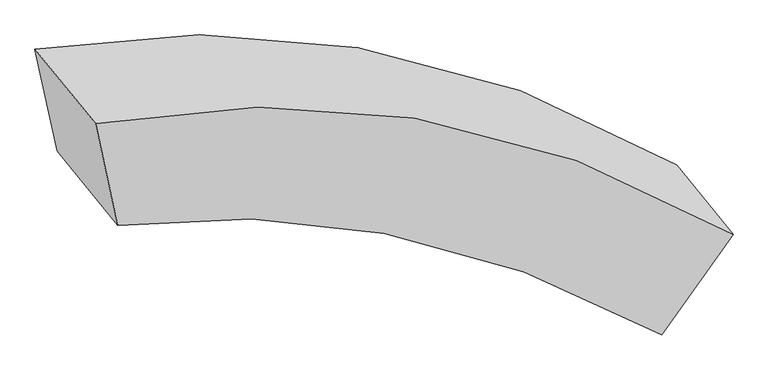
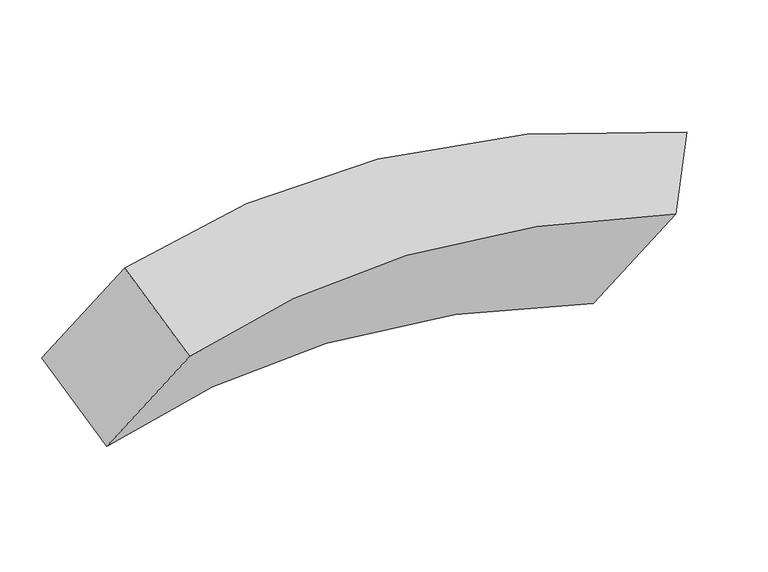
"""IFC4 building model written with IfcOpenShell, lengths in millimetres: proxy geometry."""

from ifc_helpers import new_model, si_unit, frame, origin, place, context, project, spatial, source, transform, mapped, element, save
from ifc_brep_helpers import plane_surface, spline_curve, spline_surface, advanced_brep


def generic_models_12dbb294(model_context):
    return source(origin(), model_context, "Body", "AdvancedBrep", [
        advanced_brep(
        [(10984.8394432, -3590.2381919, 1349.1633754), (11302.7280536, -3980.3352403, 2095.3343506), (8442.0212008, -3404.695398, 1757.5317843), (8122.8080545, -3012.9729453, 1008.2517634), (11381.8156045, -3086.8323102, 1515.5903103), (8005.9619979, -2476.9093171, 1338.2845277), (11678.5116409, -3450.9228886, 2212.0165538), (8325.1751443, -2868.6317698, 2087.5645487)],
        [
            (0, 1),
            (1, 2, spline_curve(3, [(11302.7280536, -3980.3352403, 2095.3343506), (10822.373046213, -3717.543120512, 2086.558128024), (10335.714491645, -3539.297594219, 2052.271529194), (9381.363929878, -3357.901034852, 1936.507504627), (8914.453533551, -3344.266613667, 1858.193248053), (8442.0212008, -3404.695398, 1757.5317843)], [4, 2, 4], [0.0, 0.5165419517671449, 1.0])),
            (2, 3),
            (3, 0, spline_curve(3, [(8122.8080545, -3012.9729453, 1008.2517634), (8600.274559359, -2960.662112313, 1121.04696307), (9069.888512047, -2978.616431994, 1205.871030692), (10025.010476281, -3161.092393928, 1323.467450725), (10509.406986465, -3335.559823092, 1352.280587085), (10984.8394432, -3590.2381919, 1349.1633754)], [4, 2, 4], [0.0, 0.4834580482328551, 1.0])),
            (4, 0),
            (3, 5),
            (5, 4, spline_curve(3, [(8005.9619979, -2476.9093171, 1338.2845277), (8592.315806398, -2378.810479676, 1437.802220603), (9158.206797157, -2375.657757753, 1503.021277032), (10286.387773018, -2565.526130992, 1566.978056697), (10845.781317913, -2771.986517459, 1560.860927841), (11381.8156045, -3086.8323102, 1515.5903103)], [4, 2, 4], [0.0, 5.148403839396339, 10.649122210737584])),
            (6, 4),
            (5, 7),
            (7, 6, spline_curve(3, [(8325.1751443, -2868.6317698, 2087.5645487), (8903.079545976, -2761.850927809, 2167.524900926), (9462.851742682, -2752.060771245, 2218.523903026), (10583.19712528, -2932.429117938, 2264.10728271), (11141.203760647, -3136.316314126, 2254.592282415), (11678.5116409, -3450.9228886, 2212.0165538)], [4, 2, 4], [0.0, 5.542858273201855, 11.46502430451249])),
            (1, 6),
            (7, 2),
        ],
        [
            spline_surface(3, 3, [[(10984.8394432, -3590.2381919, 1349.1633754), (10509.40698647, -3335.559823099, 1352.280587085), (10025.010476281, -3161.092393926, 1323.467450733), (9069.888512047, -2978.616431996, 1205.871030684), (8600.274559359, -2960.662112306, 1121.046963071), (8122.8080545, -3012.9729453, 1008.2517634)], [(11090.802313343, -3720.270541347, 1597.887033801), (10613.729006392, -3462.887588886, 1597.039767402), (10128.578481381, -3287.160793999, 1566.402143531), (9173.713651304, -3105.044632921, 1449.416521977), (8705.00088409, -3088.53027943, 1366.762391408), (8229.212436601, -3143.547096203, 1258.011770378)], [(11196.765183457, -3850.302890853, 1846.610692199), (10718.051026285, -3590.215354731, 1841.798947715), (10232.146486543, -3413.22919415, 1809.336836394), (9277.538790623, -3231.472833924, 1692.962013335), (8809.727208816, -3216.398446544, 1612.477819713), (8335.616818699, -3274.121247097, 1507.771777322)], [(11302.7280536, -3980.3352403, 2095.3343506), (10822.373046207, -3717.543120517, 2086.558128032), (10335.714491644, -3539.297594223, 2052.271529192), (9381.36392988, -3357.901034848, 1936.507504629), (8914.453533547, -3344.266613667, 1858.193248051), (8442.0212008, -3404.695398, 1757.5317843)]], [4, 4], [4, 2, 4], [0.0, 1.0], [0.0, 0.5165419517671449, 1.0]),
            spline_surface(3, 3, [[(11381.8156045, -3086.8323102, 1515.5903103), (10845.781317937, -2771.986517491, 1560.860927882), (10286.387773055, -2565.526131067, 1566.978056721), (9158.206797122, -2375.657757682, 1503.02127701), (8592.315806458, -2378.810479746, 1437.802220599), (8005.9619979, -2476.9093171, 1338.2845277)], [(11249.490217387, -3254.634270783, 1460.114665345), (10733.656540768, -2959.844286044, 1491.334147628), (10199.26200747, -2764.048218711, 1485.807854733), (9128.767368771, -2576.643982478, 1403.971194908), (8594.968724061, -2572.76102395, 1332.217134732), (8044.910683402, -2655.597193184, 1228.273606242)], [(11117.164830313, -3422.436231317, 1404.639020355), (10621.531763639, -3147.702054547, 1421.807367338), (10112.136241865, -2962.570306282, 1404.637652722), (9099.327940399, -2777.6302072, 1304.921112785), (8597.621641756, -2766.711568102, 1226.632048938), (8083.859368998, -2834.285069216, 1118.262684858)], [(10984.8394432, -3590.2381919, 1349.1633754), (10509.40698647, -3335.559823099, 1352.280587085), (10025.010476281, -3161.092393926, 1323.467450733), (9069.888512047, -2978.616431996, 1205.871030684), (8600.274559359, -2960.662112306, 1121.046963071), (8122.8080545, -3012.9729453, 1008.2517634)]], [4, 4], [4, 2, 4], [0.0, 2.2334294387464464], [0.0, 5.500718371341245, 10.649122210737584]),
            spline_surface(3, 3, [[(11678.5116409, -3450.9228886, 2212.0165538), (11141.20376058, -3136.316314152, 2254.592282372), (10583.197125223, -2932.429118024, 2264.10728271), (9462.851742736, -2752.060771165, 2218.523903026), (8903.079545943, -2761.850927727, 2167.524901011), (8325.1751443, -2868.6317698, 2087.5645487)], [(11579.6129621, -3329.559362449, 1979.874472626), (11042.729613033, -3014.873048581, 2023.348497534), (10484.260674513, -2810.128122369, 2031.730874055), (9361.303427545, -2626.593100001, 1980.023027696), (8799.491632814, -2634.170778397, 1924.284007563), (8218.770762199, -2738.057618897, 1837.804541722)], [(11480.7142833, -3208.195836351, 1747.732391474), (10944.255465485, -2893.429783062, 1792.104712719), (10385.324223765, -2687.827126722, 1799.354465375), (9259.755112314, -2501.125428846, 1741.52215234), (8695.903719588, -2506.490629076, 1681.043114047), (8112.366380001, -2607.483468003, 1588.044534678)], [(11381.8156045, -3086.8323102, 1515.5903103), (10845.781317937, -2771.986517491, 1560.860927882), (10286.387773055, -2565.526131067, 1566.978056721), (9158.206797122, -2375.657757682, 1503.02127701), (8592.315806458, -2378.810479746, 1437.802220599), (8005.9619979, -2476.9093171, 1338.2845277)]], [4, 4], [4, 2, 4], [0.0, 2.7959108541054296], [0.0, 5.922166031310635, 11.46502430451249]),
            spline_surface(3, 3, [[(11302.7280536, -3980.3352403, 2095.3343506), (10822.373046207, -3717.543120517, 2086.558128032), (10335.714491644, -3539.297594223, 2052.271529192), (9381.36392988, -3357.901034848, 1936.507504629), (8914.453533547, -3344.266613667, 1858.193248051), (8442.0212008, -3404.695398, 1757.5317843)], [(11427.98924937, -3803.86445642, 2134.228418328), (10928.649951002, -3523.800851749, 2142.569512806), (10418.208702838, -3337.008102161, 2122.883447037), (9408.526534166, -3155.954280291, 2030.512970767), (8910.662204343, -3150.12805167, 1961.303799029), (8403.072515298, -3226.007521916, 1867.542705758)], [(11553.25044513, -3627.39367248, 2173.122486072), (11034.926855785, -3330.05858292, 2198.580897597), (10500.702914029, -3134.718610086, 2193.495364865), (9435.68913845, -2954.007525722, 2124.518436888), (8906.870875147, -2955.989489724, 2064.414350033), (8364.123829802, -3047.319645884, 1977.553627242)], [(11678.5116409, -3450.9228886, 2212.0165538), (11141.20376058, -3136.316314152, 2254.592282372), (10583.197125223, -2932.429118024, 2264.10728271), (9462.851742736, -2752.060771165, 2218.523903026), (8903.079545943, -2761.850927727, 2167.524901011), (8325.1751443, -2868.6317698, 2087.5645487)]], [4, 4], [4, 2, 4], [0.0, 2.2162218131273317], [0.0, 5.474668760610213, 10.598691436156908]),
            plane_surface(frame((8223.9915994, -2940.8023575, 1547.908156), z_axis=(-0.917571812615626, -0.33337045961835743, 0.21662434153880275), x_axis=(0.18249649413794794, -0.8372531835054576, -0.5154630310093389))),
            plane_surface(frame((11336.9736856, -3527.0821577, 1793.0261475), z_axis=(0.7420872000639701, -0.4098402168595003, -0.5304126545867613), x_axis=(-0.3532095671419911, 0.43344116482380496, -0.8290788613368154))),
        ],
        [
            (0, [[1, 2, 3, 4]]),
            (1, [[5, -4, 6, 7]]),
            (2, [[8, -7, 9, 10]]),
            (3, [[11, -10, 12, -2]]),
            (4, [[-6, -3, -12, -9]]),
            (5, [[-1, -5, -8, -11]]),
        ],
    ),
    ])


if __name__ == "__main__":
    model = new_model("IFC4")
    model_context = context("Model", 3, world=origin())
    ifc_project = project(units=[si_unit("LENGTHUNIT", "METRE", prefix="MILLI")], contexts=[model_context])
    site = spatial("IfcSite", under=ifc_project)
    building = spatial("IfcBuilding", under=site)
    placement = place(None, origin())
    generic_models_shape = generic_models_12dbb294(model_context)
    element("IfcBuildingElementProxy", 1, Name="Generic Models", at=placement, inside=building, context=model_context, shape_type="MappedRepresentation", body=[
        mapped(generic_models_shape, transform((0.0, 0.0, 0.0), x_axis=(1.0, 0.0, 0.0), y_axis=(0.0, 1.0, 0.0), z_axis=(0.0, 0.0, 1.0))),
    ])
    save(model, "model.ifc")
